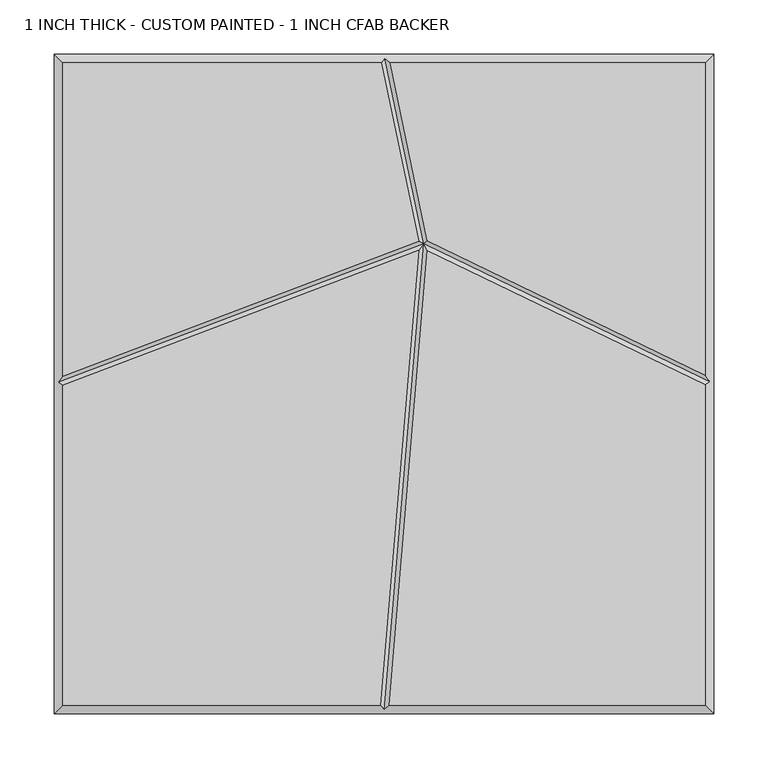
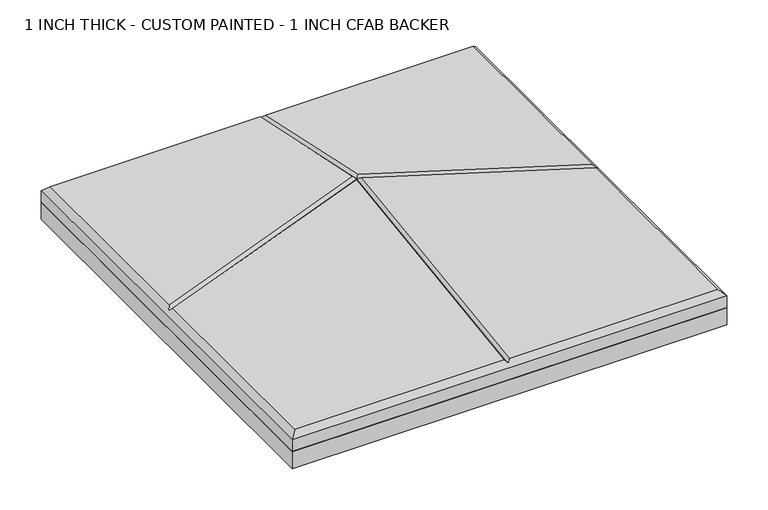
"""IFC4 building model written with IfcOpenShell, lengths in millimetres: proxy geometry, 1 INCH THICK - CUSTOM PAINTED - 1 INCH CFAB BACKER."""

from ifc_helpers import new_model, si_unit, frame, origin, place, context, project, spatial, polyline, outline, extrude, faceted_brep, source, transform, mapped, element, save


def proxy_1_inch_thick_custom_painted_1_inch_cfab_backer_6693e233(model_context):
    return source(origin(), model_context, "Body", "SolidModel", [
        extrude(outline(polyline([(-304.8, 304.8), (304.8, 304.8), (304.8, -304.8), (-304.8, -304.8), (-304.8, 304.8)])), frame((0.0, 0.0, -25.4), z_axis=(0.0, 0.0, 1.0), x_axis=(1.0, 0.0, 0.0)), (0.0, 0.0, 1.0), 25.4),
        faceted_brep([(-296.799, -1.2448936, 25.4), (-296.799, -296.799, 25.4), (-3.3400901, -296.799, 25.4), (32.0932726, 123.4506539, 25.4), (-296.799, 296.799, 25.4), (-296.799, 7.3118593, 25.4), (31.9984357, 131.9714505, 25.4), (-2.4162247, 296.799, 25.4), (296.799, -296.799, 25.4), (296.799, -0.5803511, 25.4), (40.1110006, 123.3123478, 25.4), (4.6892992, -296.799, 25.4), (296.799, 8.3038558, 25.4), (296.799, 296.799, 25.4), (5.757313, 296.799, 25.4), (40.1265394, 132.1890548, 25.4), (-304.8, 304.8, 0.0), (304.8, 304.8, 0.0), (304.8, -304.8, 0.0), (-304.8, -304.8, 0.0), (-304.8, -304.8, 17.399), (-304.8, 304.8, 17.399), (304.8, -304.8, 17.399), (304.8, 304.8, 17.399), (0.8352721, 300.7995, 21.3995), (-300.7995, 1.5167414, 21.3995), (0.3373023, -300.7995, 21.3995), (300.7995, 1.9308762, 21.3995), (36.6131869, 129.4427015, 21.3995)], [[[0, 1, 2, 3]], [[4, 5, 6, 7]], [[8, 9, 10, 11]], [[12, 13, 14, 15]], [[16, 17, 18, 19]], [[16, 19, 20, 21]], [[19, 18, 22, 20]], [[18, 17, 23, 22]], [[17, 16, 21, 23]], [[21, 4, 7, 24, 14, 13, 23]], [[4, 21, 20, 1, 0, 25, 5]], [[1, 20, 22, 8, 11, 26, 2]], [[23, 13, 12, 27, 9, 8, 22]], [[27, 28, 10, 9]], [[28, 27, 12, 15]], [[28, 25, 0, 3]], [[25, 28, 6, 5]], [[24, 28, 15, 14]], [[28, 24, 7, 6]], [[28, 26, 11, 10]], [[26, 28, 3, 2]]]),
    ])


if __name__ == "__main__":
    model = new_model("IFC4")
    model_context = context("Model", 3, world=origin())
    ifc_project = project(units=[si_unit("LENGTHUNIT", "METRE", prefix="MILLI")], contexts=[model_context])
    site = spatial("IfcSite", under=ifc_project)
    building = spatial("IfcBuilding", under=site)
    placement = place(None, origin())
    proxy_1_inch_thick_custom_painted_1_inch_cfab_backer_shape = proxy_1_inch_thick_custom_painted_1_inch_cfab_backer_6693e233(model_context)
    element("IfcBuildingElementProxy", 1, Name="1 INCH THICK - CUSTOM PAINTED - 1 INCH CFAB BACKER", ObjectType="1 INCH THICK - CUSTOM PAINTED - 1 INCH CFAB BACKER", at=placement, inside=building, context=model_context, shape_type="MappedRepresentation", body=[
        mapped(proxy_1_inch_thick_custom_painted_1_inch_cfab_backer_shape, transform((0.0, 0.0, 0.0), x_axis=(1.0, 0.0, 0.0), y_axis=(0.0, 1.0, 0.0), z_axis=(0.0, 0.0, 1.0))),
    ])
    save(model, "model.ifc")
